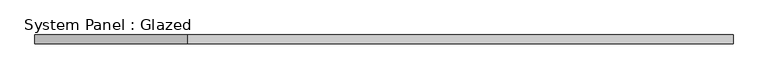
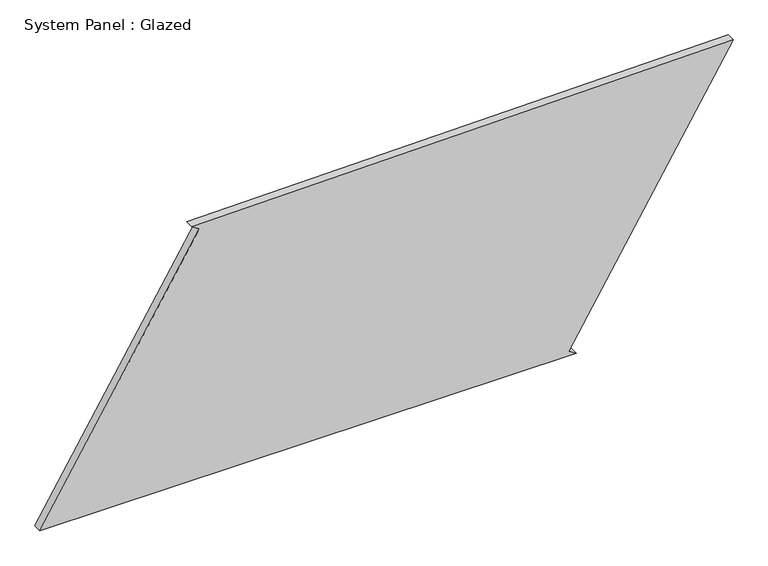
"""IFC4 building model written with IfcOpenShell, lengths in millimetres: plate geometry, System Panel : Glazed."""

from ifc_helpers import new_model, si_unit, frame, origin, place, context, project, spatial, polyline, outline, extrude, source, transform, mapped, element, save


def system_panel_glazed_956e3857(model_context):
    return source(origin(), model_context, "Body", "SweptSolid", [
        extrude(outline(polyline([(0.0, -985.2322266), (0.0, 539.8863908), (12.9264419, 518.4876269), (785.5874385, 985.2322266), (762.4873456, -554.0281453), (749.5648278, -532.6270114), (0.0, -985.2322266)])), frame((0.0, -49.5, 0.0), z_axis=(0.0, 1.0, 0.0), x_axis=(0.0, 0.0, 1.0)), (0.0, 0.0, 1.0), 25.0),
    ])


if __name__ == "__main__":
    model = new_model("IFC4")
    model_context = context("Model", 3, world=origin())
    ifc_project = project(units=[si_unit("LENGTHUNIT", "METRE", prefix="MILLI")], contexts=[model_context])
    site = spatial("IfcSite", under=ifc_project)
    building = spatial("IfcBuilding", under=site)
    placement = place(None, origin())
    system_panel_glazed_shape = system_panel_glazed_956e3857(model_context)
    element("IfcPlate", 1, ObjectType="System Panel : Glazed", at=placement, inside=building, context=model_context, shape_type="MappedRepresentation", body=[
        mapped(system_panel_glazed_shape, transform((0.0, 0.0, 0.0), x_axis=(1.0, 0.0, 0.0), y_axis=(0.0, 1.0, 0.0), z_axis=(0.0, 0.0, 1.0))),
    ])
    save(model, "model.ifc")
